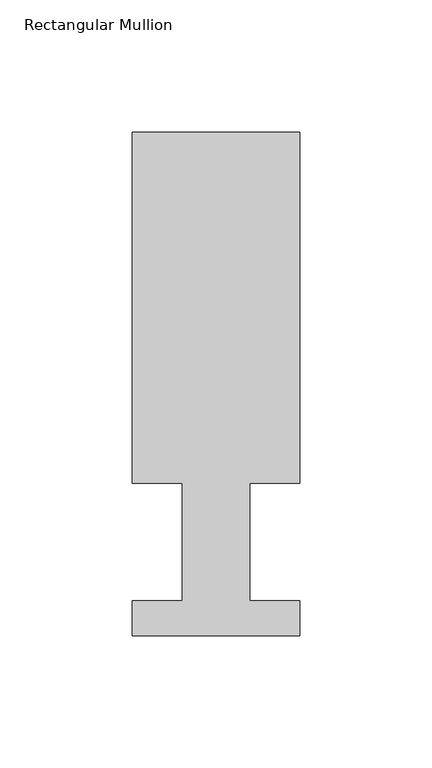
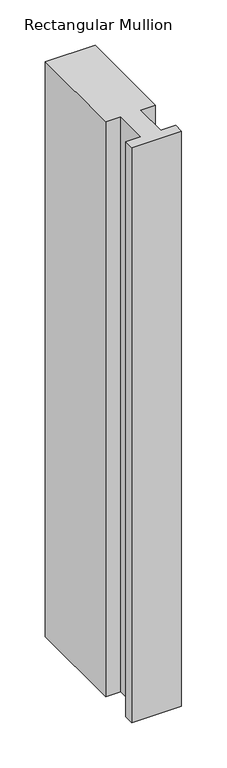
"""IFC4 building model written with IfcOpenShell, lengths in millimetres: member geometry, Rectangular Mullion."""

from ifc_helpers import new_model, si_unit, frame, origin, place, context, project, spatial, polyline, outline, extrude, source, transform, mapped, element, save


def rectangular_mullion_eba1b199(model_context):
    return source(origin(), model_context, "Body", "SweptSolid", [
        extrude(outline(polyline([(31.75, 190.5896937), (31.75, 57.6460937), (12.7, 57.6460937), (12.7, 13.1960937), (31.75, 13.1960937), (31.75, 0.0134937), (-31.75, 0.0134937), (-31.75, 13.1960937), (-12.7, 13.1960937), (-12.7, 57.6460937), (-31.75, 57.6460937), (-31.75, 190.5896937), (31.75, 190.5896937)])), frame((0.0, 0.0, -774.7), z_axis=(0.0, 0.0, 1.0), x_axis=(1.0, 0.0, 0.0)), (0.0, 0.0, 1.0), 774.7),
    ])


if __name__ == "__main__":
    model = new_model("IFC4")
    model_context = context("Model", 3, world=origin())
    ifc_project = project(units=[si_unit("LENGTHUNIT", "METRE", prefix="MILLI")], contexts=[model_context])
    site = spatial("IfcSite", under=ifc_project)
    building = spatial("IfcBuilding", under=site)
    placement = place(None, origin())
    rectangular_mullion_shape = rectangular_mullion_eba1b199(model_context)
    element("IfcMember", 1, ObjectType="Rectangular Mullion", at=placement, inside=building, context=model_context, shape_type="MappedRepresentation", body=[
        mapped(rectangular_mullion_shape, transform((0.0, 0.0, 0.0), x_axis=(1.0, 0.0, 0.0), y_axis=(0.0, 1.0, 0.0), z_axis=(0.0, 0.0, 1.0))),
    ])
    save(model, "model.ifc")
